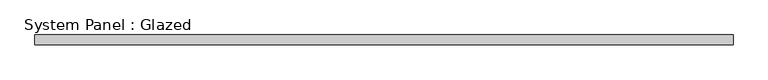
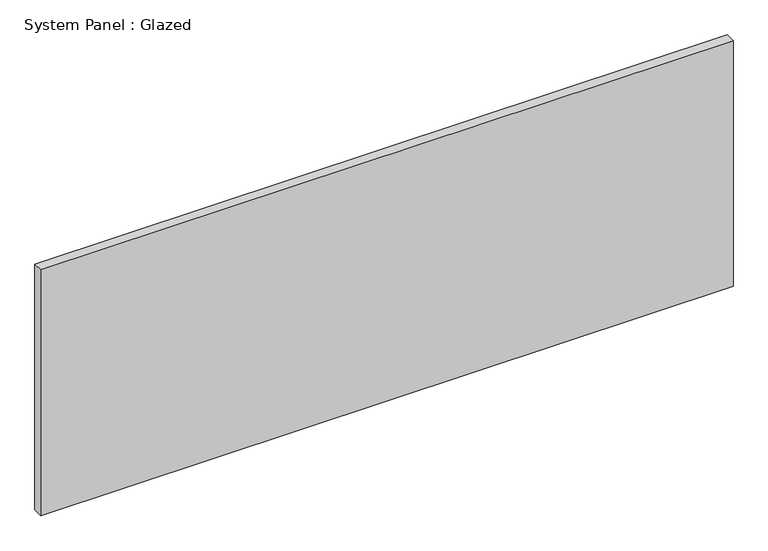
"""IFC4 building model written with IfcOpenShell, lengths in millimetres: plate geometry, System Panel : Glazed."""

from ifc_helpers import new_model, si_unit, origin, origin_with_axes, place, context, project, spatial, polyline, outline, extrude, source, transform, mapped, element, save


def system_panel_glazed_80a61a8d(model_context):
    return source(origin(), model_context, "Body", "SweptSolid", [
        extrude(outline(polyline([(888.7354167, -44.45), (-888.7354167, -44.45), (-888.7354167, -19.05), (888.7354167, -19.05), (888.7354167, -44.45)])), origin_with_axes(), (0.0, 0.0, 1.0), 666.75),
    ])


if __name__ == "__main__":
    model = new_model("IFC4")
    model_context = context("Model", 3, world=origin())
    ifc_project = project(units=[si_unit("LENGTHUNIT", "METRE", prefix="MILLI")], contexts=[model_context])
    site = spatial("IfcSite", under=ifc_project)
    building = spatial("IfcBuilding", under=site)
    placement = place(None, origin())
    system_panel_glazed_shape = system_panel_glazed_80a61a8d(model_context)
    element("IfcPlate", 1, ObjectType="System Panel : Glazed", at=placement, inside=building, context=model_context, shape_type="MappedRepresentation", body=[
        mapped(system_panel_glazed_shape, transform((0.0, 0.0, 0.0), x_axis=(1.0, 0.0, 0.0), y_axis=(0.0, 1.0, 0.0), z_axis=(0.0, 0.0, 1.0))),
    ])
    save(model, "model.ifc")
